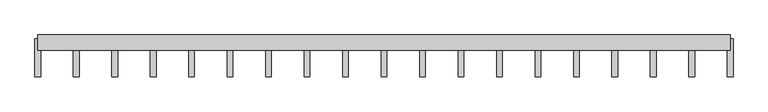
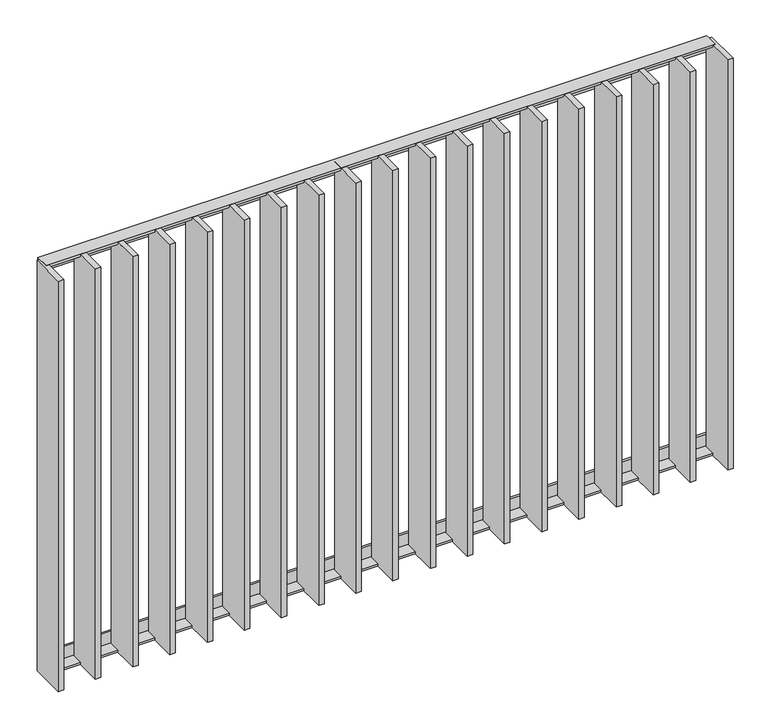
"""IFC4 building model written with IfcOpenShell, lengths in millimetres: railing geometry."""

from ifc_helpers import new_model, si_unit, frame, origin, place, context, project, spatial, polyline, outline, extrude, source, transform, mapped, element, save


def railing_1de66dc8(model_context):
    return source(origin(), model_context, "Body", "SweptSolid", [
        extrude(outline(polyline([(-14.0, 6.0), (20.0, 6.0), (20.0, 0.0), (-20.0, 0.0), (-20.0, 40.0), (-14.0, 40.0), (-14.0, 6.0)])), frame((67185.9325551, 6059.4012767, 8000.0), z_axis=(1.0, -2.5608022662089557e-12, 0.0), x_axis=(-2.5608022662089557e-12, -1.0, 0.0)), (0.0, 0.0, 1.0), 1820.0),
        extrude(outline(polyline([(-14.0, -6.0), (-14.0, -40.0), (-20.0, -40.0), (-20.0, 0.0), (20.0, 0.0), (20.0, -6.0), (-14.0, -6.0)])), frame((67185.9325551, 6059.4012767, 6820.0), z_axis=(1.0, -2.5608022662089557e-12, 0.0), x_axis=(-2.5608022662089557e-12, -1.0, 0.0)), (0.0, 0.0, 1.0), 1820.0),
        extrude(outline(polyline([(67294.5436662, 6069.4012767), (67294.5436662, 5969.4012767), (67279.5436662, 5969.4012767), (67279.5436662, 6069.4012767), (67294.5436662, 6069.4012767)])), frame((0.0, 0.0, 6819.9), z_axis=(0.0, 0.0, 1.0), x_axis=(1.0, 0.0, 0.0)), (0.0, 0.0, 1.0), 1180.2),
        extrude(outline(polyline([(67395.6547773, 6069.4012767), (67395.6547773, 5969.4012767), (67380.6547773, 5969.4012767), (67380.6547773, 6069.4012767), (67395.6547773, 6069.4012767)])), frame((0.0, 0.0, 6819.9), z_axis=(0.0, 0.0, 1.0), x_axis=(1.0, 0.0, 0.0)), (0.0, 0.0, 1.0), 1180.2),
        extrude(outline(polyline([(67496.7658884, 6069.4012767), (67496.7658884, 5969.4012767), (67481.7658884, 5969.4012767), (67481.7658884, 6069.4012767), (67496.7658884, 6069.4012767)])), frame((0.0, 0.0, 6819.9), z_axis=(0.0, 0.0, 1.0), x_axis=(1.0, 0.0, 0.0)), (0.0, 0.0, 1.0), 1180.2),
        extrude(outline(polyline([(67597.8769995, 6069.4012767), (67597.8769995, 5969.4012767), (67582.8769995, 5969.4012767), (67582.8769995, 6069.4012767), (67597.8769995, 6069.4012767)])), frame((0.0, 0.0, 6819.9), z_axis=(0.0, 0.0, 1.0), x_axis=(1.0, 0.0, 0.0)), (0.0, 0.0, 1.0), 1180.2),
        extrude(outline(polyline([(67698.9881106, 6069.4012767), (67698.9881106, 5969.4012767), (67683.9881106, 5969.4012767), (67683.9881106, 6069.4012767), (67698.9881106, 6069.4012767)])), frame((0.0, 0.0, 6819.9), z_axis=(0.0, 0.0, 1.0), x_axis=(1.0, 0.0, 0.0)), (0.0, 0.0, 1.0), 1180.2),
        extrude(outline(polyline([(67800.0992217, 6069.4012767), (67800.0992217, 5969.4012767), (67785.0992217, 5969.4012767), (67785.0992217, 6069.4012767), (67800.0992217, 6069.4012767)])), frame((0.0, 0.0, 6819.9), z_axis=(0.0, 0.0, 1.0), x_axis=(1.0, 0.0, 0.0)), (0.0, 0.0, 1.0), 1180.2),
        extrude(outline(polyline([(67901.2103329, 6069.4012767), (67901.2103329, 5969.4012767), (67886.2103329, 5969.4012767), (67886.2103329, 6069.4012767), (67901.2103329, 6069.4012767)])), frame((0.0, 0.0, 6819.9), z_axis=(0.0, 0.0, 1.0), x_axis=(1.0, 0.0, 0.0)), (0.0, 0.0, 1.0), 1180.2),
        extrude(outline(polyline([(68002.321444, 6069.4012767), (68002.321444, 5969.4012767), (67987.321444, 5969.4012767), (67987.321444, 6069.4012767), (68002.321444, 6069.4012767)])), frame((0.0, 0.0, 6819.9), z_axis=(0.0, 0.0, 1.0), x_axis=(1.0, 0.0, 0.0)), (0.0, 0.0, 1.0), 1180.2),
        extrude(outline(polyline([(68103.4325551, 6069.4012767), (68103.4325551, 5969.4012767), (68088.4325551, 5969.4012767), (68088.4325551, 6069.4012767), (68103.4325551, 6069.4012767)])), frame((0.0, 0.0, 6819.9), z_axis=(0.0, 0.0, 1.0), x_axis=(1.0, 0.0, 0.0)), (0.0, 0.0, 1.0), 1180.2),
        extrude(outline(polyline([(68204.5436662, 6069.4012767), (68204.5436662, 5969.4012767), (68189.5436662, 5969.4012767), (68189.5436662, 6069.4012767), (68204.5436662, 6069.4012767)])), frame((0.0, 0.0, 6819.9), z_axis=(0.0, 0.0, 1.0), x_axis=(1.0, 0.0, 0.0)), (0.0, 0.0, 1.0), 1180.2),
        extrude(outline(polyline([(68305.6547773, 6069.4012767), (68305.6547773, 5969.4012767), (68290.6547773, 5969.4012767), (68290.6547773, 6069.4012767), (68305.6547773, 6069.4012767)])), frame((0.0, 0.0, 6819.9), z_axis=(0.0, 0.0, 1.0), x_axis=(1.0, 0.0, 0.0)), (0.0, 0.0, 1.0), 1180.2),
        extrude(outline(polyline([(68406.7658884, 6069.4012767), (68406.7658884, 5969.4012767), (68391.7658884, 5969.4012767), (68391.7658884, 6069.4012767), (68406.7658884, 6069.4012767)])), frame((0.0, 0.0, 6819.9), z_axis=(0.0, 0.0, 1.0), x_axis=(1.0, 0.0, 0.0)), (0.0, 0.0, 1.0), 1180.2),
        extrude(outline(polyline([(68507.8769995, 6069.4012767), (68507.8769995, 5969.4012767), (68492.8769995, 5969.4012767), (68492.8769995, 6069.4012767), (68507.8769995, 6069.4012767)])), frame((0.0, 0.0, 6819.9), z_axis=(0.0, 0.0, 1.0), x_axis=(1.0, 0.0, 0.0)), (0.0, 0.0, 1.0), 1180.2),
        extrude(outline(polyline([(68608.9881106, 6069.4012767), (68608.9881106, 5969.4012767), (68593.9881106, 5969.4012767), (68593.9881106, 6069.4012767), (68608.9881106, 6069.4012767)])), frame((0.0, 0.0, 6819.9), z_axis=(0.0, 0.0, 1.0), x_axis=(1.0, 0.0, 0.0)), (0.0, 0.0, 1.0), 1180.2),
        extrude(outline(polyline([(68710.0992217, 6069.4012767), (68710.0992217, 5969.4012767), (68695.0992217, 5969.4012767), (68695.0992217, 6069.4012767), (68710.0992217, 6069.4012767)])), frame((0.0, 0.0, 6819.9), z_axis=(0.0, 0.0, 1.0), x_axis=(1.0, 0.0, 0.0)), (0.0, 0.0, 1.0), 1180.2),
        extrude(outline(polyline([(68811.2103329, 6069.4012767), (68811.2103329, 5969.4012767), (68796.2103329, 5969.4012767), (68796.2103329, 6069.4012767), (68811.2103329, 6069.4012767)])), frame((0.0, 0.0, 6819.9), z_axis=(0.0, 0.0, 1.0), x_axis=(1.0, 0.0, 0.0)), (0.0, 0.0, 1.0), 1180.2),
        extrude(outline(polyline([(68912.321444, 6069.4012767), (68912.321444, 5969.4012767), (68897.321444, 5969.4012767), (68897.321444, 6069.4012767), (68912.321444, 6069.4012767)])), frame((0.0, 0.0, 6819.9), z_axis=(0.0, 0.0, 1.0), x_axis=(1.0, 0.0, 0.0)), (0.0, 0.0, 1.0), 1180.2),
        extrude(outline(polyline([(67193.4325551, 6069.4012767), (67193.4325551, 5969.4012767), (67178.4325551, 5969.4012767), (67178.4325551, 6069.4012767), (67193.4325551, 6069.4012767)])), frame((0.0, 0.0, 6819.9), z_axis=(0.0, 0.0, 1.0), x_axis=(1.0, 0.0, 0.0)), (0.0, 0.0, 1.0), 1180.2),
        extrude(outline(polyline([(69013.4325551, 6069.4012767), (69013.4325551, 5969.4012767), (68998.4325551, 5969.4012767), (68998.4325551, 6069.4012767), (69013.4325551, 6069.4012767)])), frame((0.0, 0.0, 6819.9), z_axis=(0.0, 0.0, 1.0), x_axis=(1.0, 0.0, 0.0)), (0.0, 0.0, 1.0), 1180.2),
    ])


if __name__ == "__main__":
    model = new_model("IFC4")
    model_context = context("Model", 3, world=origin())
    ifc_project = project(units=[si_unit("LENGTHUNIT", "METRE", prefix="MILLI")], contexts=[model_context])
    site = spatial("IfcSite", under=ifc_project)
    building = spatial("IfcBuilding", under=site)
    placement = place(None, origin())
    railing_shape = railing_1de66dc8(model_context)
    element("IfcRailing", 1, at=placement, inside=building, context=model_context, shape_type="MappedRepresentation", body=[
        mapped(railing_shape, transform((0.0, 0.0, 0.0), x_axis=(1.0, 0.0, 0.0), y_axis=(0.0, 1.0, 0.0), z_axis=(0.0, 0.0, 1.0))),
    ])
    save(model, "model.ifc")
